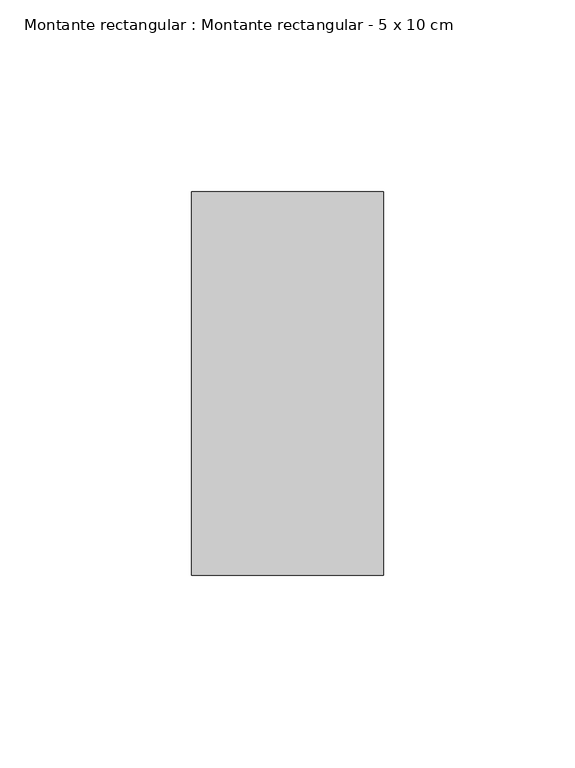
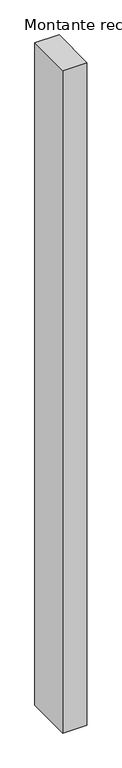
"""IFC4 building model written with IfcOpenShell, lengths in millimetres: member geometry, Montante rectangular : Montante rectangular - 5 x 10 cm."""

from ifc_helpers import new_model, si_unit, frame, origin, place, context, project, spatial, polyline, outline, extrude, source, transform, mapped, element, save


def montante_rectangular_montante_rectangular_5_x_10_cm_f6ba3ffe(model_context):
    return source(origin(), model_context, "Body", "SweptSolid", [
        extrude(outline(polyline([(25.0, 50.0), (25.0, -50.0), (-25.0, -50.0), (-25.0, 50.0), (25.0, 50.0)])), frame((0.0, 0.0, -1450.0), z_axis=(0.0, 0.0, 1.0), x_axis=(1.0, 0.0, 0.0)), (0.0, 0.0, 1.0), 1450.0),
    ])


if __name__ == "__main__":
    model = new_model("IFC4")
    model_context = context("Model", 3, world=origin())
    ifc_project = project(units=[si_unit("LENGTHUNIT", "METRE", prefix="MILLI")], contexts=[model_context])
    site = spatial("IfcSite", under=ifc_project)
    building = spatial("IfcBuilding", under=site)
    placement = place(None, origin())
    montante_rectangular_montante_rectangular_5_x_10_cm_shape = montante_rectangular_montante_rectangular_5_x_10_cm_f6ba3ffe(model_context)
    element("IfcMember", 1, ObjectType="Montante rectangular : Montante rectangular - 5 x 10 cm", at=placement, inside=building, context=model_context, shape_type="MappedRepresentation", body=[
        mapped(montante_rectangular_montante_rectangular_5_x_10_cm_shape, transform((0.0, 0.0, 0.0), x_axis=(1.0, 0.0, 0.0), y_axis=(0.0, 1.0, 0.0), z_axis=(0.0, 0.0, 1.0))),
    ])
    save(model, "model.ifc")
